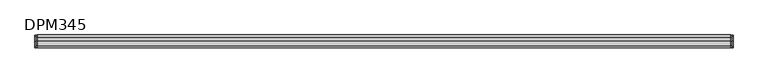
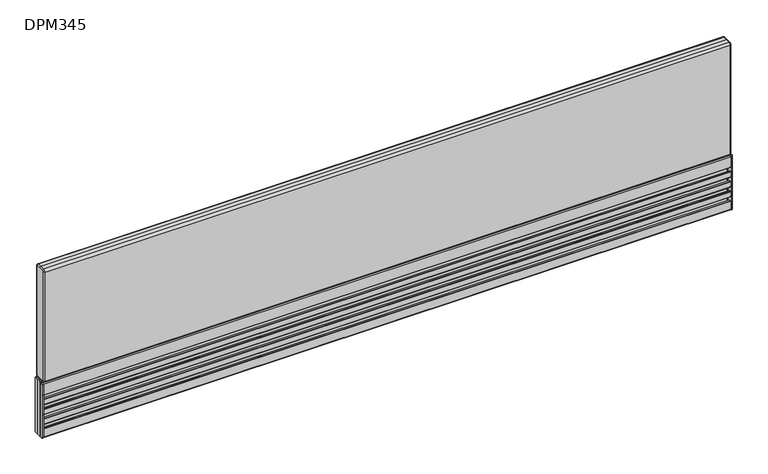
"""IFC4 building model written with IfcOpenShell, lengths in millimetres: furniture geometry, DPM345."""

from ifc_helpers import new_model, si_unit, point, frame, frame_2d, origin, place, context, project, spatial, polyline, circle_curve, ellipse_curve, trimmed, segment, composite_curve, outline, extrude, source, transform, mapped, element, save
from ifc_brep_helpers import plane_surface, cylinder_surface, revolved_surface, advanced_brep


def dpm345_f10333ed(model_context):
    return source(origin(), model_context, "Body", "SolidModel", [
        advanced_brep(
        [(-747.5, -11.25, 125.5), (-747.5, -13.25, 123.5), (-747.5, -13.25, 2.0), (-747.5, -11.25, 0.0), (-747.5, 0.0, 0.0), (-747.5, 11.25, 0.0), (-747.5, 13.25, 2.0), (-747.5, 13.25, 123.5), (-747.5, 11.25, 125.5), (-747.5, 0.0, 125.5), (-750.5, 11.25, 125.5), (-750.5, 13.25, 123.5), (-750.5, 13.25, 2.0), (-750.5, 11.25, 0.0), (-750.5, 5.25, 0.0), (-750.5, 5.25, 125.5), (-750.5, -11.25, 0.0), (-750.5, -13.25, 2.0), (-750.5, -13.25, 123.5), (-750.5, -11.25, 125.5), (-750.5, -5.25, 125.5), (-750.5, -5.25, 0.0), (-750.5, -3.75, 125.5), (-750.5, 0.0, 125.5), (-750.5, 3.75, 125.5), (-750.5, 3.75, 0.0), (-750.5, 0.0, 0.0), (-750.5, -3.75, 0.0)],
        [
            (0, 1, circle_curve(frame((-747.5, -11.25, 123.5), z_axis=(1.0, 0.0, 0.0), x_axis=(0.0, 1.0, 0.0)), 2.0)),
            (1, 2),
            (2, 3, circle_curve(frame((-747.5, -11.25, 2.0), z_axis=(1.0, 0.0, 0.0), x_axis=(0.0, 1.0, 0.0)), 2.0)),
            (3, 4),
            (4, 5),
            (5, 6, circle_curve(frame((-747.5, 11.25, 2.0), z_axis=(1.0, 0.0, 0.0), x_axis=(0.0, -1.0, 0.0)), 2.0)),
            (6, 7),
            (7, 8, circle_curve(frame((-747.5, 11.25, 123.5), z_axis=(1.0, 0.0, 0.0), x_axis=(0.0, -1.0, 0.0)), 2.0)),
            (8, 9),
            (9, 0),
            (10, 11, circle_curve(frame((-750.5, 11.25, 123.5), z_axis=(-1.0, 0.0, 0.0), x_axis=(0.0, -1.0, 0.0)), 2.0)),
            (11, 12),
            (12, 13, circle_curve(frame((-750.5, 11.25, 2.0), z_axis=(-1.0, 0.0, 0.0), x_axis=(0.0, -1.0, 0.0)), 2.0)),
            (13, 14),
            (14, 15),
            (15, 10),
            (16, 17, circle_curve(frame((-750.5, -11.25, 2.0), z_axis=(-1.0, 0.0, 0.0), x_axis=(0.0, 1.0, 0.0)), 2.0)),
            (17, 18),
            (18, 19, circle_curve(frame((-750.5, -11.25, 123.5), z_axis=(-1.0, 0.0, 0.0), x_axis=(0.0, 1.0, 0.0)), 2.0)),
            (19, 20),
            (20, 21),
            (21, 16),
            (22, 23),
            (23, 24),
            (24, 25),
            (25, 26),
            (26, 27),
            (27, 22),
            (0, 19),
            (18, 1),
            (17, 2),
            (16, 3),
            (21, 27, circle_curve(frame((-751.1614378, -4.5, 0.0), z_axis=(0.0, 0.0, 1.0), x_axis=(0.0, 1.0, 0.0)), 1.0)),
            (26, 4),
            (25, 14, circle_curve(frame((-751.1614378, 4.5, 0.0), z_axis=(0.0, 0.0, 1.0), x_axis=(0.0, 1.0, 0.0)), 1.0)),
            (13, 5),
            (12, 6),
            (11, 7),
            (10, 8),
            (15, 24, circle_curve(frame((-751.1614378, 4.5, 125.5), z_axis=(0.0, 0.0, -1.0), x_axis=(0.0, 1.0, 0.0)), 1.0)),
            (23, 9),
            (22, 20, circle_curve(frame((-751.1614378, -4.5, 125.5), z_axis=(0.0, 0.0, -1.0), x_axis=(0.0, 1.0, 0.0)), 1.0)),
        ],
        [
            plane_surface(frame((-747.5, -9.25, 123.5), z_axis=(1.0, 0.0, 0.0), x_axis=(0.0, 0.0, 1.0))),
            plane_surface(frame((-750.5, -9.25, 123.5), z_axis=(-1.0, 0.0, 0.0), x_axis=(0.0, 0.0, -1.0))),
            cylinder_surface(frame((-750.5, -11.25, 123.5), z_axis=(1.0, 0.0, 0.0), x_axis=(0.0, 1.0, 0.0)), 2.0),
            plane_surface(frame((-747.5, -13.25, 123.5), z_axis=(0.0, -1.0, 0.0), x_axis=(-1.0, 0.0, 0.0))),
            cylinder_surface(frame((-750.5, -11.25, 2.0), z_axis=(1.0, 0.0, 0.0), x_axis=(0.0, 1.0, 0.0)), 2.0),
            plane_surface(frame((-747.5, -11.25, 0.0), z_axis=(0.0, 0.0, -1.0), x_axis=(-1.0, 0.0, 0.0))),
            plane_surface(frame((-747.5, 0.0, 0.0), z_axis=(0.0, 0.0, -1.0), x_axis=(-1.0, 0.0, 0.0))),
            cylinder_surface(frame((-750.5, 11.25, 2.0), z_axis=(1.0, 0.0, 0.0), x_axis=(0.0, -1.0, 0.0)), 2.0),
            plane_surface(frame((-747.5, 13.25, 2.0), z_axis=(0.0, 1.0, -6.587285038427298e-12), x_axis=(-1.0, 0.0, 0.0))),
            cylinder_surface(frame((-750.5, 11.25, 123.5), z_axis=(1.0, 0.0, 0.0), x_axis=(0.0, -1.0, 0.0)), 2.0),
            plane_surface(frame((-747.5, 11.25, 125.5), z_axis=(0.0, 0.0, 1.0), x_axis=(-1.0, 0.0, 0.0))),
            plane_surface(frame((-747.5, 0.0, 125.5), z_axis=(0.0, 0.0, 1.0), x_axis=(-1.0, 0.0, 0.0))),
            revolved_surface(polyline([(-751.1614378, 5.5, 125.5), (-751.1614378, 5.5, 0.0)]), (-751.1614378, 4.5, -26.25), (0.0, 0.0, 1.0)),
            revolved_surface(polyline([(-751.1614378, -3.5, 125.5), (-751.1614378, -3.5, 0.0)]), (-751.1614378, -4.5, 73.75), (0.0, 0.0, 1.0)),
        ],
        [
            (0, [[1, 2, 3, 4, 5, 6, 7, 8, 9, 10]]),
            (1, [[11, 12, 13, 14, 15, 16]]),
            (1, [[17, 18, 19, 20, 21, 22]]),
            (1, [[23, 24, 25, 26, 27, 28]]),
            (2, [[-1, 29, -19, 30]]),
            (3, [[-2, -30, -18, 31]]),
            (4, [[-3, -31, -17, 32]]),
            (5, [[-4, -32, -22, 33, -27, 34]]),
            (6, [[-5, -34, -26, 35, -14, 36]]),
            (7, [[-6, -36, -13, 37]]),
            (8, [[-7, -37, -12, 38]]),
            (9, [[-8, -38, -11, 39]]),
            (10, [[-9, -39, -16, 40, -24, 41]]),
            (11, [[-10, -41, -23, 42, -20, -29]]),
            (12, [[-15, -35, -25, -40]]),
            (13, [[-28, -33, -21, -42]]),
        ],
    ),
        advanced_brep(
        [(747.5, 11.25, 125.5), (747.5, 13.25, 123.5), (747.5, 13.25, 2.0), (747.5, 11.25, 0.0), (747.5, 0.0, 0.0), (747.5, -11.25, 0.0), (747.5, -13.25, 2.0), (747.5, -13.25, 123.5), (747.5, -11.25, 125.5), (747.5, 0.0, 125.5), (750.5, -11.25, 125.5), (750.5, -13.25, 123.5), (750.5, -13.25, 2.0), (750.5, -11.25, 0.0), (750.5, -5.25, 0.0), (750.5, -5.25, 125.5), (750.5, 11.25, 0.0), (750.5, 13.25, 2.0), (750.5, 13.25, 123.5), (750.5, 11.25, 125.5), (750.5, 5.25, 125.5), (750.5, 5.25, 0.0), (750.5, 3.75, 125.5), (750.5, 0.0, 125.5), (750.5, -3.75, 125.5), (750.5, -3.75, 0.0), (750.5, 0.0, 0.0), (750.5, 3.75, 0.0)],
        [
            (0, 1, circle_curve(frame((747.5, 11.25, 123.5), z_axis=(-1.0, 0.0, 0.0), x_axis=(0.0, -1.0000000000000004, 0.0)), 2.0)),
            (1, 2),
            (2, 3, circle_curve(frame((747.5, 11.25, 2.0), z_axis=(-1.0, 0.0, 0.0), x_axis=(0.0, -1.0000000000000004, 0.0)), 2.0)),
            (3, 4),
            (4, 5),
            (5, 6, circle_curve(frame((747.5, -11.25, 2.0), z_axis=(-1.0, 0.0, 0.0), x_axis=(0.0, 1.0000000000000004, 0.0)), 2.0)),
            (6, 7),
            (7, 8, circle_curve(frame((747.5, -11.25, 123.5), z_axis=(-1.0, 0.0, 0.0), x_axis=(0.0, 1.0000000000000004, 0.0)), 2.0)),
            (8, 9),
            (9, 0),
            (10, 11, circle_curve(frame((750.5, -11.25, 123.5), z_axis=(1.0, 0.0, 0.0), x_axis=(0.0, 1.0000000000000004, 0.0)), 2.0)),
            (11, 12),
            (12, 13, circle_curve(frame((750.5, -11.25, 2.0), z_axis=(1.0, 0.0, 0.0), x_axis=(0.0, 1.0000000000000004, 0.0)), 2.0)),
            (13, 14),
            (14, 15),
            (15, 10),
            (16, 17, circle_curve(frame((750.5, 11.25, 2.0), z_axis=(1.0, 0.0, 0.0), x_axis=(0.0, -1.0000000000000004, 0.0)), 2.0)),
            (17, 18),
            (18, 19, circle_curve(frame((750.5, 11.25, 123.5), z_axis=(1.0, 0.0, 0.0), x_axis=(0.0, -1.0000000000000004, 0.0)), 2.0)),
            (19, 20),
            (20, 21),
            (21, 16),
            (22, 23),
            (23, 24),
            (24, 25),
            (25, 26),
            (26, 27),
            (27, 22),
            (0, 19),
            (18, 1),
            (17, 2),
            (16, 3),
            (21, 27, circle_curve(frame((751.1614378, 4.5, 0.0), z_axis=(0.0, 0.0, 1.0), x_axis=(0.0, -1.0000000000000004, 0.0)), 1.0)),
            (26, 4),
            (25, 14, circle_curve(frame((751.1614378, -4.5, 0.0), z_axis=(0.0, 0.0, 1.0), x_axis=(0.0, -1.0000000000000004, 0.0)), 1.0)),
            (13, 5),
            (12, 6),
            (11, 7),
            (10, 8),
            (15, 24, circle_curve(frame((751.1614378, -4.5, 125.5), z_axis=(0.0, 0.0, -1.0), x_axis=(0.0, -1.0000000000000004, 0.0)), 1.0)),
            (23, 9),
            (22, 20, circle_curve(frame((751.1614378, 4.5, 125.5), z_axis=(0.0, 0.0, -1.0), x_axis=(0.0, -1.0000000000000004, 0.0)), 1.0)),
        ],
        [
            plane_surface(frame((747.5, 9.25, 123.5), z_axis=(-1.0, 0.0, 0.0), x_axis=(0.0, 0.0, 1.0))),
            plane_surface(frame((750.5, 9.25, 123.5), z_axis=(1.0, 0.0, 0.0), x_axis=(0.0, 0.0, -1.0))),
            cylinder_surface(frame((750.5, 11.25, 123.5), z_axis=(-1.0000000000000004, 0.0, 0.0), x_axis=(0.0, -1.0000000000000004, 0.0)), 2.0),
            plane_surface(frame((747.5, 13.25, 123.5), z_axis=(0.0, 1.0, 0.0), x_axis=(1.0, 0.0, 0.0))),
            cylinder_surface(frame((750.5, 11.25, 2.0), z_axis=(-1.0000000000000004, 0.0, 0.0), x_axis=(0.0, -1.0000000000000004, 0.0)), 2.0),
            plane_surface(frame((747.5, 11.25, 0.0), z_axis=(0.0, 0.0, -1.0), x_axis=(1.0, 0.0, 0.0))),
            plane_surface(frame((747.5, 0.0, 0.0), z_axis=(0.0, 0.0, -1.0), x_axis=(1.0, 0.0, 0.0))),
            cylinder_surface(frame((750.5, -11.25, 2.0), z_axis=(-1.0000000000000004, 0.0, 0.0), x_axis=(0.0, 1.0000000000000004, 0.0)), 2.0),
            plane_surface(frame((747.5, -13.25, 2.0), z_axis=(0.0, -1.0, -6.587285038427301e-12), x_axis=(1.0, 0.0, 0.0))),
            cylinder_surface(frame((750.5, -11.25, 123.5), z_axis=(-1.0000000000000004, 0.0, 0.0), x_axis=(0.0, 1.0000000000000004, 0.0)), 2.0),
            plane_surface(frame((747.5, -11.25, 125.5), z_axis=(0.0, 0.0, 1.0), x_axis=(1.0, 0.0, 0.0))),
            plane_surface(frame((747.5, 0.0, 125.5), z_axis=(0.0, 0.0, 1.0), x_axis=(1.0, 0.0, 0.0))),
            revolved_surface(polyline([(751.1614378, -5.5, 125.5), (751.1614378, -5.5, 0.0)]), (751.1614378, -4.5, -26.25), (0.0, 0.0, 1.0)),
            revolved_surface(polyline([(751.1614378, 3.4999999999999996, 125.5), (751.1614378, 3.4999999999999996, 0.0)]), (751.1614378, 4.5, 73.75), (0.0, 0.0, 1.0)),
        ],
        [
            (0, [[1, 2, 3, 4, 5, 6, 7, 8, 9, 10]]),
            (1, [[11, 12, 13, 14, 15, 16]]),
            (1, [[17, 18, 19, 20, 21, 22]]),
            (1, [[23, 24, 25, 26, 27, 28]]),
            (2, [[-1, 29, -19, 30]]),
            (3, [[-2, -30, -18, 31]]),
            (4, [[-3, -31, -17, 32]]),
            (5, [[-4, -32, -22, 33, -27, 34]]),
            (6, [[-5, -34, -26, 35, -14, 36]]),
            (7, [[-6, -36, -13, 37]]),
            (8, [[-7, -37, -12, 38]]),
            (9, [[-8, -38, -11, 39]]),
            (10, [[-9, -39, -16, 40, -24, 41]]),
            (11, [[-10, -41, -23, 42, -20, -29]]),
            (12, [[-15, -35, -25, -40]]),
            (13, [[-28, -33, -21, -42]]),
        ],
    ),
        extrude(outline(composite_curve([segment(trimmed(circle_curve(frame_2d((-12.0, 20.25)), 1.0), [point((-13.0, 20.25))], [point((-12.0, 21.25))], False, "CARTESIAN"), True, "CONTINUOUS"), segment(polyline([(-12.0, 21.25), (-9.2004126, 21.25), (-9.2004126, 15.25), (-1.7500068, 15.25), (-1.7500068, 36.25), (-9.2004126, 36.25), (-9.2004126, 30.25), (-12.0, 30.25)]), True, "CONTINUOUS"), segment(trimmed(circle_curve(frame_2d((-12.0, 31.25)), 1.0), [point((-12.0, 30.25))], [point((-13.0, 31.25))], False, "CARTESIAN"), True, "CONTINUOUS"), segment(polyline([(-13.0, 31.25), (-13.0, 42.75)]), True, "CONTINUOUS"), segment(trimmed(circle_curve(frame_2d((-12.0, 42.75)), 1.0), [point((-13.0, 42.75))], [point((-12.0, 43.75))], False, "CARTESIAN"), True, "CONTINUOUS"), segment(polyline([(-12.0, 43.75), (-9.2004126, 43.75), (-9.2004126, 37.75), (-1.7500068, 37.75), (-1.7500068, 58.75), (-9.2004126, 58.75), (-9.2004126, 52.75), (-12.0, 52.75)]), True, "CONTINUOUS"), segment(trimmed(circle_curve(frame_2d((-12.0, 53.75)), 1.0), [point((-12.0, 52.75))], [point((-13.0, 53.75))], False, "CARTESIAN"), True, "CONTINUOUS"), segment(polyline([(-13.0, 53.75), (-13.0, 65.25)]), True, "CONTINUOUS"), segment(trimmed(circle_curve(frame_2d((-12.0, 65.25)), 1.0), [point((-13.0, 65.25))], [point((-12.0, 66.25))], False, "CARTESIAN"), True, "CONTINUOUS"), segment(polyline([(-12.0, 66.25), (-9.2004126, 66.25), (-9.2004126, 60.25), (-1.7500068, 60.25), (-1.7500068, 81.25), (-9.2004126, 81.25), (-9.2004126, 75.25), (-12.0, 75.25)]), True, "CONTINUOUS"), segment(trimmed(circle_curve(frame_2d((-12.0, 76.25)), 1.0), [point((-12.0, 75.25))], [point((-13.0, 76.25))], False, "CARTESIAN"), True, "CONTINUOUS"), segment(polyline([(-13.0, 76.25), (-13.0, 87.75)]), True, "CONTINUOUS"), segment(trimmed(circle_curve(frame_2d((-12.0, 87.75)), 1.0), [point((-13.0, 87.75))], [point((-12.0, 88.75))], False, "CARTESIAN"), True, "CONTINUOUS"), segment(polyline([(-12.0, 88.75), (-9.2004126, 88.75), (-9.2004126, 82.75), (-1.7500068, 82.75), (-1.7500068, 103.75), (-9.2004126, 103.75), (-9.2004126, 97.75), (-12.0, 97.75)]), True, "CONTINUOUS"), segment(trimmed(circle_curve(frame_2d((-12.0, 98.75)), 1.0), [point((-12.0, 97.75))], [point((-13.0, 98.75))], False, "CARTESIAN"), True, "CONTINUOUS"), segment(polyline([(-13.0, 98.75), (-13.0, 123.25)]), True, "CONTINUOUS"), segment(trimmed(circle_curve(frame_2d((-11.0, 123.25)), 2.0), [point((-13.0, 123.25))], [point((-11.0, 125.25))], False, "CARTESIAN"), True, "CONTINUOUS"), segment(polyline([(-11.0, 125.25), (-6.0, 125.25)]), True, "CONTINUOUS"), segment(trimmed(circle_curve(frame_2d((-6.0, 124.75)), 0.5), [point((-6.0, 125.25))], [point((-5.5, 124.75))], False, "CARTESIAN"), True, "CONTINUOUS"), segment(polyline([(-5.5, 124.75), (-5.5, 105.25), (0.0, 105.25), (5.5, 105.25), (5.5, 124.75)]), True, "CONTINUOUS"), segment(trimmed(circle_curve(frame_2d((6.0, 124.75)), 0.5), [point((5.5, 124.75))], [point((6.0, 125.25))], False, "CARTESIAN"), True, "CONTINUOUS"), segment(polyline([(6.0, 125.25), (11.0, 125.25)]), True, "CONTINUOUS"), segment(trimmed(circle_curve(frame_2d((11.0, 123.25)), 2.0), [point((11.0, 125.25))], [point((13.0, 123.25))], False, "CARTESIAN"), True, "CONTINUOUS"), segment(polyline([(13.0, 123.25), (13.0, 98.75)]), True, "CONTINUOUS"), segment(trimmed(circle_curve(frame_2d((12.0, 98.75)), 1.0), [point((13.0, 98.75))], [point((12.0, 97.75))], False, "CARTESIAN"), True, "CONTINUOUS"), segment(polyline([(12.0, 97.75), (9.2004126, 97.75), (9.2004126, 103.75), (1.7500068, 103.75), (1.7500068, 82.75), (9.2004126, 82.75), (9.2004126, 88.75), (12.0, 88.75)]), True, "CONTINUOUS"), segment(trimmed(circle_curve(frame_2d((12.0, 87.75)), 1.0), [point((12.0, 88.75))], [point((13.0, 87.75))], False, "CARTESIAN"), True, "CONTINUOUS"), segment(polyline([(13.0, 87.75), (13.0, 76.25)]), True, "CONTINUOUS"), segment(trimmed(circle_curve(frame_2d((12.0, 76.25)), 1.0), [point((13.0, 76.25))], [point((12.0, 75.25))], False, "CARTESIAN"), True, "CONTINUOUS"), segment(polyline([(12.0, 75.25), (9.2004126, 75.25), (9.2004126, 81.25), (1.7500068, 81.25), (1.7500068, 60.25), (9.2004126, 60.25), (9.2004126, 66.25), (12.0, 66.25)]), True, "CONTINUOUS"), segment(trimmed(circle_curve(frame_2d((12.0, 65.25)), 1.0), [point((12.0, 66.25))], [point((13.0, 65.25))], False, "CARTESIAN"), True, "CONTINUOUS"), segment(polyline([(13.0, 65.25), (13.0, 53.75)]), True, "CONTINUOUS"), segment(trimmed(circle_curve(frame_2d((12.0, 53.75)), 1.0), [point((13.0, 53.75))], [point((12.0, 52.75))], False, "CARTESIAN"), True, "CONTINUOUS"), segment(polyline([(12.0, 52.75), (9.2004126, 52.75), (9.2004126, 58.75), (1.7500068, 58.75), (1.7500068, 37.75), (9.2004126, 37.75), (9.2004126, 43.75), (12.0, 43.75)]), True, "CONTINUOUS"), segment(trimmed(circle_curve(frame_2d((12.0, 42.75)), 1.0), [point((12.0, 43.75))], [point((13.0, 42.75))], False, "CARTESIAN"), True, "CONTINUOUS"), segment(polyline([(13.0, 42.75), (13.0, 31.25)]), True, "CONTINUOUS"), segment(trimmed(circle_curve(frame_2d((12.0, 31.25)), 1.0), [point((13.0, 31.25))], [point((12.0, 30.25))], False, "CARTESIAN"), True, "CONTINUOUS"), segment(polyline([(12.0, 30.25), (9.2004126, 30.25), (9.2004126, 36.25), (1.7500068, 36.25), (1.7500068, 15.25), (9.2004126, 15.25), (9.2004126, 21.25), (12.0, 21.25)]), True, "CONTINUOUS"), segment(trimmed(circle_curve(frame_2d((12.0, 20.25)), 1.0), [point((12.0, 21.25))], [point((13.0, 20.25))], False, "CARTESIAN"), True, "CONTINUOUS"), segment(polyline([(13.0, 20.25), (13.0, 2.25)]), True, "CONTINUOUS"), segment(trimmed(circle_curve(frame_2d((11.0, 2.25)), 2.0), [point((13.0, 2.25))], [point((11.0, 0.25))], False, "CARTESIAN"), True, "CONTINUOUS"), segment(polyline([(11.0, 0.25), (0.0, 0.25), (-11.0, 0.25)]), True, "CONTINUOUS"), segment(trimmed(circle_curve(frame_2d((-11.0, 2.25)), 2.0), [point((-11.0, 0.25))], [point((-13.0, 2.25))], False, "CARTESIAN"), True, "CONTINUOUS"), segment(polyline([(-13.0, 2.25), (-13.0, 20.25)]), True, "CONTINUOUS")], self_intersect=False)), frame((-747.5, 0.0, 0.0), z_axis=(1.0, 0.0, 0.0), x_axis=(0.0, 1.0, 0.0)), (0.0, 0.0, 1.0), 1495.0),
        extrude(outline(polyline([(747.5, 5.25), (747.5, -5.25), (-747.5, -5.25), (-747.5, 5.25), (747.5, 5.25)])), frame((0.0, 0.0, 105.25), z_axis=(0.0, 0.0, 1.0), x_axis=(1.0, 0.0, 0.0)), (0.0, 0.0, 1.0), 20.5),
        advanced_brep(
        [(747.5, -9.5, 382.25), (747.5, -11.0, 380.75), (747.5, -11.0, 130.25), (747.5, -9.5, 128.75), (747.5, 9.5, 128.75), (747.5, 11.0, 130.25), (747.5, 11.0, 380.75), (747.5, 9.5, 382.25), (747.5, 0.0, 382.25), (-747.5, -9.5, 128.75), (-747.5, -11.0, 130.25), (-747.5, -11.0, 380.75), (-747.5, -9.5, 382.25), (-747.5, 0.0, 382.25), (-747.5, 9.5, 382.25), (-747.5, 11.0, 380.75), (-747.5, 11.0, 130.25), (-747.5, 9.5, 128.75), (744.5, -9.5, 385.25), (744.5, 0.0, 385.25), (-744.5, 0.0, 385.25), (-744.5, -9.5, 385.25), (744.5, -14.0, 380.75), (-744.5, -14.0, 380.75), (744.5, -14.0, 130.25), (-744.5, -14.0, 130.25), (744.5, -9.5, 125.75), (-744.5, -9.5, 125.75), (744.5, 9.5, 125.75), (-744.5, 9.5, 125.75), (744.5, 14.0, 130.25), (-744.5, 14.0, 130.25), (744.5, 14.0, 380.75), (-744.5, 14.0, 380.75), (744.5, 9.5, 385.25), (-744.5, 9.5, 385.25)],
        [
            (0, 1, circle_curve(frame((747.5, -9.5, 380.75), z_axis=(1.0, 0.0, 0.0), x_axis=(0.0, 0.0, 1.0)), 1.5)),
            (1, 2),
            (2, 3, circle_curve(frame((747.5, -9.5, 130.25), z_axis=(1.0, 0.0, 0.0), x_axis=(0.0, -1.0, 0.0)), 1.5)),
            (3, 4),
            (4, 5, circle_curve(frame((747.5, 9.5, 130.25), z_axis=(1.0, 0.0, 0.0), x_axis=(0.0, 0.0, -1.0)), 1.5)),
            (5, 6),
            (6, 7, circle_curve(frame((747.5, 9.5, 380.75), z_axis=(1.0, 0.0, 0.0), x_axis=(0.0, 1.0, 0.0)), 1.5)),
            (7, 8),
            (8, 0),
            (9, 10, circle_curve(frame((-747.5, -9.5, 130.25), z_axis=(-1.0, 0.0, 0.0), x_axis=(0.0, 0.0, -1.0)), 1.5)),
            (10, 11),
            (11, 12, circle_curve(frame((-747.5, -9.5, 380.75), z_axis=(-1.0, 0.0, 0.0), x_axis=(0.0, -1.0, 0.0)), 1.5)),
            (12, 13),
            (13, 14),
            (14, 15, circle_curve(frame((-747.5, 9.5, 380.75), z_axis=(-1.0, 0.0, 0.0), x_axis=(0.0, 0.0, 1.0)), 1.5)),
            (15, 16),
            (16, 17, circle_curve(frame((-747.5, 9.5, 130.25), z_axis=(-1.0, 0.0, 0.0), x_axis=(0.0, 1.0, 0.0)), 1.5)),
            (17, 9),
            (18, 19),
            (19, 20),
            (20, 21),
            (21, 18),
            (22, 18, circle_curve(frame((744.5, -9.5, 380.75), z_axis=(-1.0, 0.0, 0.0), x_axis=(0.0, 1.0, 0.0)), 4.5)),
            (21, 23, circle_curve(frame((-744.5, -9.5, 380.75), z_axis=(1.0, 0.0, 0.0), x_axis=(0.0, 1.0, 0.0)), 4.5)),
            (23, 22),
            (24, 22),
            (23, 25),
            (25, 24),
            (26, 24, circle_curve(frame((744.5, -9.5, 130.25), z_axis=(-1.0, 0.0, 0.0), x_axis=(0.0, 1.0, 0.0)), 4.5)),
            (25, 27, circle_curve(frame((-744.5, -9.5, 130.25), z_axis=(1.0, 0.0, 0.0), x_axis=(0.0, 1.0, 0.0)), 4.5)),
            (27, 26),
            (28, 26),
            (27, 29),
            (29, 28),
            (30, 28, circle_curve(frame((744.5, 9.5, 130.25), z_axis=(-1.0, 0.0, 0.0), x_axis=(0.0, 1.0, 0.0)), 4.5)),
            (29, 31, circle_curve(frame((-744.5, 9.5, 130.25), z_axis=(1.0, 0.0, 0.0), x_axis=(0.0, 1.0, 0.0)), 4.5)),
            (31, 30),
            (32, 30),
            (31, 33),
            (33, 32),
            (34, 32, circle_curve(frame((744.5, 9.5, 380.75), z_axis=(-1.0, 0.0, 0.0), x_axis=(0.0, 1.0, 0.0)), 4.5)),
            (33, 35, circle_curve(frame((-744.5, 9.5, 380.75), z_axis=(1.0, 0.0, 0.0), x_axis=(0.0, 1.0, 0.0)), 4.5)),
            (35, 34),
            (19, 34),
            (35, 20),
            (22, 1, circle_curve(frame((744.5, -11.0, 380.75), z_axis=(0.0, 0.0, 1.0), x_axis=(1.0, 0.0, 0.0)), 3.0)),
            (0, 18, circle_curve(frame((744.5, -9.5, 382.25), z_axis=(0.0, -1.0, 0.0), x_axis=(1.0, 0.0, 0.0)), 3.0)),
            (24, 2, circle_curve(frame((744.5, -11.0, 130.25), z_axis=(0.0, 0.0, 1.0), x_axis=(1.0, 0.0, 0.0)), 3.0)),
            (26, 3, circle_curve(frame((744.5, -9.5, 128.75), z_axis=(0.0, -1.0, 0.0), x_axis=(1.0, 0.0, 0.0)), 3.0)),
            (28, 4, circle_curve(frame((744.5, 9.5, 128.75), z_axis=(0.0, -1.0, 0.0), x_axis=(1.0, 0.0, 0.0)), 3.0)),
            (30, 5, circle_curve(frame((744.5, 11.0, 130.25), z_axis=(0.0, 0.0, -1.0), x_axis=(1.0, 0.0, 0.0)), 3.0)),
            (32, 6, circle_curve(frame((744.5, 11.0, 380.75), z_axis=(0.0, 0.0, -1.0), x_axis=(1.0, 0.0, 0.0)), 3.0)),
            (34, 7, circle_curve(frame((744.5, 9.5, 382.25), z_axis=(0.0, 1.0, 0.0), x_axis=(1.0, 0.0, 0.0)), 3.0)),
            (19, 8, circle_curve(frame((744.5, 0.0, 382.25), z_axis=(0.0, 1.0, 0.0), x_axis=(1.0, 0.0, 0.0)), 3.0)),
            (25, 10, circle_curve(frame((-744.5, -11.0, 130.25), z_axis=(0.0, 0.0, -1.0), x_axis=(-1.0, 0.0, 0.0)), 3.0)),
            (9, 27, circle_curve(frame((-744.5, -9.5, 128.75), z_axis=(0.0, -1.0, 0.0), x_axis=(-1.0, 0.0, 0.0)), 3.0)),
            (23, 11, circle_curve(frame((-744.5, -11.0, 380.75), z_axis=(0.0, 0.0, -1.0), x_axis=(-1.0, 0.0, 0.0)), 3.0)),
            (21, 12, circle_curve(frame((-744.5, -9.5, 382.25), z_axis=(0.0, -1.0, 0.0), x_axis=(-1.0, 0.0, 0.0)), 3.0)),
            (20, 13, circle_curve(frame((-744.5, 0.0, 382.25), z_axis=(0.0, -1.0, 0.0), x_axis=(-1.0, 0.0, 0.0)), 3.0)),
            (35, 14, circle_curve(frame((-744.5, 9.5, 382.25), z_axis=(0.0, -1.0, 0.0), x_axis=(-1.0, 0.0, 0.0)), 3.0)),
            (33, 15, circle_curve(frame((-744.5, 11.0, 380.75), z_axis=(0.0, 0.0, 1.0), x_axis=(-1.0, 0.0, 0.0)), 3.0)),
            (31, 16, circle_curve(frame((-744.5, 11.0, 130.25), z_axis=(0.0, 0.0, 1.0), x_axis=(-1.0, 0.0, 0.0)), 3.0)),
            (29, 17, circle_curve(frame((-744.5, 9.5, 128.75), z_axis=(0.0, 1.0, 0.0), x_axis=(-1.0, 0.0, 0.0)), 3.0)),
        ],
        [
            plane_surface(frame((747.5, -14.0, 385.25), z_axis=(1.0, 0.0, 0.0), x_axis=(0.0, -1.0, 0.0))),
            plane_surface(frame((-747.5, -14.0, 385.25), z_axis=(-1.0, 0.0, 0.0), x_axis=(0.0, 1.0, 0.0))),
            plane_surface(frame((747.5, 0.0, 385.25), z_axis=(0.0, 0.0, 1.0), x_axis=(-1.0, 0.0, 0.0))),
            cylinder_surface(frame((-747.5, -9.5, 380.75), z_axis=(1.0, 0.0, 0.0), x_axis=(0.0, 1.0, 0.0)), 4.5),
            plane_surface(frame((747.5, -14.0, 380.75), z_axis=(0.0, -1.0, 0.0), x_axis=(-1.0, 0.0, 0.0))),
            cylinder_surface(frame((-747.5, -9.5, 130.25), z_axis=(1.0, 0.0, 0.0), x_axis=(0.0, 1.0, 0.0)), 4.5),
            plane_surface(frame((747.5, -9.5, 125.75), z_axis=(0.0, 0.0, -1.0), x_axis=(-1.0, 0.0, 0.0))),
            cylinder_surface(frame((-747.5, 9.5, 130.25), z_axis=(1.0, 0.0, 0.0), x_axis=(0.0, 1.0, 0.0)), 4.5),
            plane_surface(frame((747.5, 14.0, 130.25), z_axis=(0.0, 1.0, 0.0), x_axis=(-1.0, 0.0, 0.0))),
            cylinder_surface(frame((-747.5, 9.5, 380.75), z_axis=(1.0, 0.0, 0.0), x_axis=(0.0, 1.0, 0.0)), 4.5),
            plane_surface(frame((747.5, 9.5, 385.25), z_axis=(0.0, 0.0, 1.0), x_axis=(-1.0, 0.0, 0.0))),
            revolved_surface(trimmed(ellipse_curve(frame((744.5, -9.5, 382.25), z_axis=(0.0, 1.0, 0.0), x_axis=(1.0, 0.0, 0.0)), 3.0, 3.0), [point((744.5, -9.5, 385.25))], [point((747.5, -9.5, 382.25))], True, "CARTESIAN"), (747.5, -9.5, 380.75), (1.0, 0.0, 0.0)),
            cylinder_surface(frame((744.5, -11.0, 380.75), z_axis=(0.0, 0.0, -1.0), x_axis=(1.0, 0.0, 0.0)), 3.0),
            revolved_surface(trimmed(ellipse_curve(frame((744.5, -11.0, 130.25), z_axis=(0.0, 0.0, 1.0), x_axis=(1.0, 0.0, 0.0)), 3.0, 3.0), [point((744.5, -14.0, 130.25))], [point((747.5, -11.0, 130.25))], True, "CARTESIAN"), (747.5, -9.5, 130.25), (1.0, 0.0, 0.0)),
            cylinder_surface(frame((744.5, -9.5, 128.75), z_axis=(0.0, 1.0, 0.0), x_axis=(1.0, 0.0, 0.0)), 3.0),
            revolved_surface(trimmed(ellipse_curve(frame((744.5, 9.5, 128.75), z_axis=(0.0, -1.0, 0.0), x_axis=(1.0, 0.0, 0.0)), 3.0, 3.0), [point((744.5, 9.5, 125.75))], [point((747.5, 9.5, 128.75))], True, "CARTESIAN"), (747.5, 9.5, 130.25), (1.0, 0.0, 0.0)),
            cylinder_surface(frame((744.5, 11.0, 130.25), z_axis=(0.0, 0.0, 1.0), x_axis=(1.0, 0.0, 0.0)), 3.0),
            revolved_surface(trimmed(ellipse_curve(frame((744.5, 11.0, 380.75), z_axis=(0.0, 0.0, -1.0), x_axis=(1.0, 0.0, 0.0)), 3.0, 3.0), [point((744.5, 14.0, 380.75))], [point((747.5, 11.0, 380.75))], True, "CARTESIAN"), (747.5, 9.5, 380.75), (1.0, 0.0, 0.0)),
            cylinder_surface(frame((744.5, 9.5, 382.25), z_axis=(0.0, -1.0, 0.0), x_axis=(1.0, 0.0, 0.0)), 3.0),
            cylinder_surface(frame((744.5, 0.0, 382.25), z_axis=(0.0, -1.0, 0.0), x_axis=(1.0, 0.0, 0.0)), 3.0),
            revolved_surface(trimmed(ellipse_curve(frame((-744.5, -9.5, 128.75), z_axis=(0.0, 1.0, 0.0), x_axis=(-1.0, 0.0, 0.0)), 3.0, 3.0), [point((-744.5, -9.5, 125.75))], [point((-747.5, -9.5, 128.75))], True, "CARTESIAN"), (-747.5, -9.5, 130.25), (-1.0, 0.0, 0.0)),
            cylinder_surface(frame((-744.5, -11.0, 130.25), z_axis=(0.0, 0.0, 1.0), x_axis=(-1.0, 0.0, 0.0)), 3.0),
            revolved_surface(trimmed(ellipse_curve(frame((-744.5, -11.0, 380.75), z_axis=(0.0, 0.0, -1.0), x_axis=(-1.0, 0.0, 0.0)), 3.0, 3.0), [point((-744.5, -14.0, 380.75))], [point((-747.5, -11.0, 380.75))], True, "CARTESIAN"), (-747.5, -9.5, 380.75), (-1.0, 0.0, 0.0)),
            cylinder_surface(frame((-744.5, -9.5, 382.25), z_axis=(0.0, 1.0, 0.0), x_axis=(-1.0, 0.0, 0.0)), 3.0),
            cylinder_surface(frame((-744.5, 0.0, 382.25), z_axis=(0.0, 1.0, 0.0), x_axis=(-1.0, 0.0, 0.0)), 3.0),
            revolved_surface(trimmed(ellipse_curve(frame((-744.5, 9.5, 382.25), z_axis=(0.0, -1.0, 0.0), x_axis=(-1.0, 0.0, 0.0)), 3.0, 3.0), [point((-744.5, 9.5, 385.25))], [point((-747.5, 9.5, 382.25))], True, "CARTESIAN"), (-747.5, 9.5, 380.75), (-1.0, 0.0, 0.0)),
            cylinder_surface(frame((-744.5, 11.0, 380.75), z_axis=(0.0, 0.0, -1.0), x_axis=(-1.0, 0.0, 0.0)), 3.0),
            revolved_surface(trimmed(ellipse_curve(frame((-744.5, 11.0, 130.25), z_axis=(0.0, 0.0, 1.0), x_axis=(-1.0, 0.0, 0.0)), 3.0, 3.0), [point((-744.5, 14.0, 130.25))], [point((-747.5, 11.0, 130.25))], True, "CARTESIAN"), (-747.5, 9.5, 130.25), (-1.0, 0.0, 0.0)),
            cylinder_surface(frame((-744.5, 9.5, 128.75), z_axis=(0.0, -1.0, 0.0), x_axis=(-1.0, 0.0, 0.0)), 3.0),
        ],
        [
            (0, [[1, 2, 3, 4, 5, 6, 7, 8, 9]]),
            (1, [[10, 11, 12, 13, 14, 15, 16, 17, 18]]),
            (2, [[19, 20, 21, 22]]),
            (3, [[23, -22, 24, 25]]),
            (4, [[26, -25, 27, 28]]),
            (5, [[29, -28, 30, 31]]),
            (6, [[32, -31, 33, 34]]),
            (7, [[35, -34, 36, 37]]),
            (8, [[38, -37, 39, 40]]),
            (9, [[41, -40, 42, 43]]),
            (10, [[44, -43, 45, -20]]),
            (11, [[46, -1, 47, -23]]),
            (12, [[-46, -26, 48, -2]]),
            (13, [[-48, -29, 49, -3]]),
            (14, [[-49, -32, 50, -4]]),
            (15, [[-50, -35, 51, -5]]),
            (16, [[-51, -38, 52, -6]]),
            (17, [[-52, -41, 53, -7]]),
            (18, [[-53, -44, 54, -8]]),
            (19, [[-47, -9, -54, -19]]),
            (20, [[55, -10, 56, -30]]),
            (21, [[-55, -27, 57, -11]]),
            (22, [[-57, -24, 58, -12]]),
            (23, [[-58, -21, 59, -13]]),
            (24, [[-59, -45, 60, -14]]),
            (25, [[-60, -42, 61, -15]]),
            (26, [[-61, -39, 62, -16]]),
            (27, [[-62, -36, 63, -17]]),
            (28, [[-56, -18, -63, -33]]),
        ],
    ),
    ])


if __name__ == "__main__":
    model = new_model("IFC4")
    model_context = context("Model", 3, world=origin())
    ifc_project = project(units=[si_unit("LENGTHUNIT", "METRE", prefix="MILLI")], contexts=[model_context])
    site = spatial("IfcSite", under=ifc_project)
    building = spatial("IfcBuilding", under=site)
    placement = place(None, origin())
    dpm345_shape = dpm345_f10333ed(model_context)
    element("IfcFurniture", 1, ObjectType="DPM345", at=placement, inside=building, context=model_context, shape_type="MappedRepresentation", body=[
        mapped(dpm345_shape, transform((0.0, 0.0, 0.0), x_axis=(1.0, 0.0, 0.0), y_axis=(0.0, 1.0, 0.0), z_axis=(0.0, 0.0, 1.0))),
    ])
    save(model, "model.ifc")
